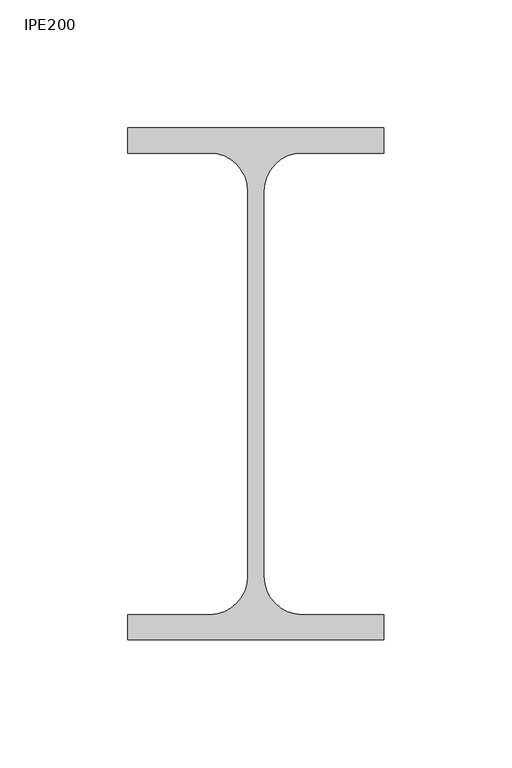
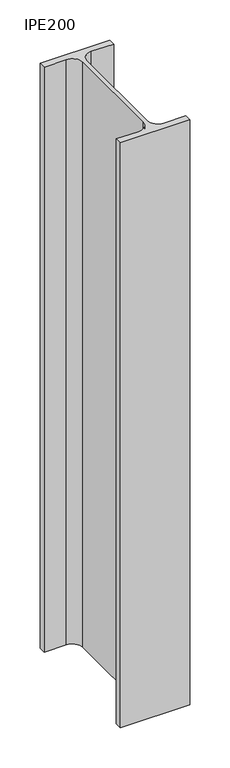
"""IFC4 building model written with IfcOpenShell, lengths in millimetres: column geometry, IPE200."""

from ifc_helpers import new_model, si_unit, point, frame, frame_2d, origin, place, context, project, spatial, polyline, circle_curve, trimmed, segment, composite_curve, outline, extrude, source, transform, mapped, element, save


def ipe200_06b99740(model_context):
    return source(origin(), model_context, "Body", "SweptSolid", [
        extrude(outline(composite_curve([segment(polyline([(50.0, 100.0), (50.0, 90.2), (18.1, 90.2)]), True, "CONTINUOUS"), segment(trimmed(circle_curve(frame_2d((18.1, 75.2)), 15.0), [point((18.1, 90.2))], [point((3.1, 75.2))], True, "CARTESIAN"), True, "CONTINUOUS"), segment(polyline([(3.1, 75.2), (3.1, -75.2)]), True, "CONTINUOUS"), segment(trimmed(circle_curve(frame_2d((18.1, -75.2)), 15.0), [point((3.1, -75.2))], [point((18.1, -90.2))], True, "CARTESIAN"), True, "CONTINUOUS"), segment(polyline([(18.1, -90.2), (50.0, -90.2), (50.0, -100.0), (-50.0, -100.0), (-50.0, -90.2), (-18.1, -90.2)]), True, "CONTINUOUS"), segment(trimmed(circle_curve(frame_2d((-18.1, -75.2)), 15.0), [point((-18.1, -90.2))], [point((-3.1, -75.2))], True, "CARTESIAN"), True, "CONTINUOUS"), segment(polyline([(-3.1, -75.2), (-3.1, 75.2)]), True, "CONTINUOUS"), segment(trimmed(circle_curve(frame_2d((-18.1, 75.2)), 15.0), [point((-3.1, 75.2))], [point((-18.1, 90.2))], True, "CARTESIAN"), True, "CONTINUOUS"), segment(polyline([(-18.1, 90.2), (-50.0, 90.2), (-50.0, 100.0), (50.0, 100.0)]), True, "CONTINUOUS")], self_intersect=False)), frame((0.0, 0.0, 9360.0), z_axis=(0.0, 0.0, 1.0), x_axis=(1.0, 0.0, 0.0)), (0.0, 0.0, 1.0), 890.0),
    ])


if __name__ == "__main__":
    model = new_model("IFC4")
    model_context = context("Model", 3, world=origin())
    ifc_project = project(units=[si_unit("LENGTHUNIT", "METRE", prefix="MILLI")], contexts=[model_context])
    site = spatial("IfcSite", under=ifc_project)
    building = spatial("IfcBuilding", under=site)
    placement = place(None, origin())
    ipe200_shape = ipe200_06b99740(model_context)
    element("IfcColumn", 1, ObjectType="IPE200", at=placement, inside=building, context=model_context, shape_type="MappedRepresentation", body=[
        mapped(ipe200_shape, transform((0.0, 0.0, 0.0), x_axis=(1.0, 0.0, 0.0), y_axis=(0.0, 1.0, 0.0), z_axis=(0.0, 0.0, 1.0))),
    ])
    save(model, "model.ifc")
